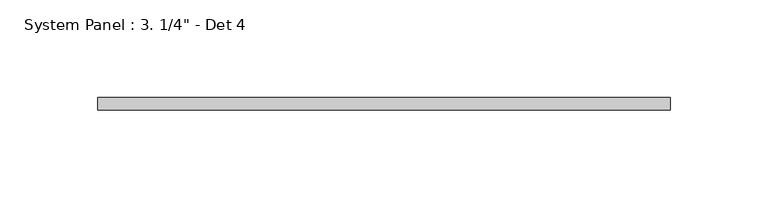
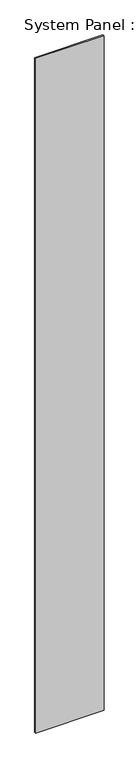
"""IFC4 building model written with IfcOpenShell, lengths in millimetres: plate geometry."""

from ifc_helpers import new_model, si_unit, origin, origin_with_axes, place, context, project, spatial, polyline, outline, extrude, source, transform, mapped, element, save


def plate_74a95565(model_context):
    return source(origin(), model_context, "Body", "SweptSolid", [
        extrude(outline(polyline([(146.05, 0.0), (-146.05, 0.0), (-146.05, 6.35), (146.05, 6.35), (146.05, 0.0)])), origin_with_axes(), (0.0, 0.0, 1.0), 3048.0),
    ])


if __name__ == "__main__":
    model = new_model("IFC4")
    model_context = context("Model", 3, world=origin())
    ifc_project = project(units=[si_unit("LENGTHUNIT", "METRE", prefix="MILLI")], contexts=[model_context])
    site = spatial("IfcSite", under=ifc_project)
    building = spatial("IfcBuilding", under=site)
    placement = place(None, origin())
    plate_shape = plate_74a95565(model_context)
    element("IfcPlate", 1, ObjectType="System Panel : 3. 1/4\" - Det 4", at=placement, inside=building, context=model_context, shape_type="MappedRepresentation", body=[
        mapped(plate_shape, transform((0.0, 0.0, 0.0), x_axis=(1.0, 0.0, 0.0), y_axis=(0.0, 1.0, 0.0), z_axis=(0.0, 0.0, 1.0))),
    ])
    save(model, "model.ifc")
